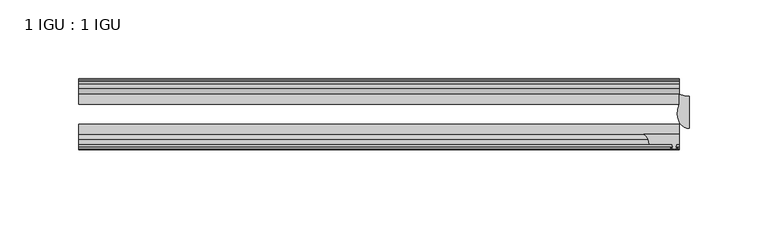
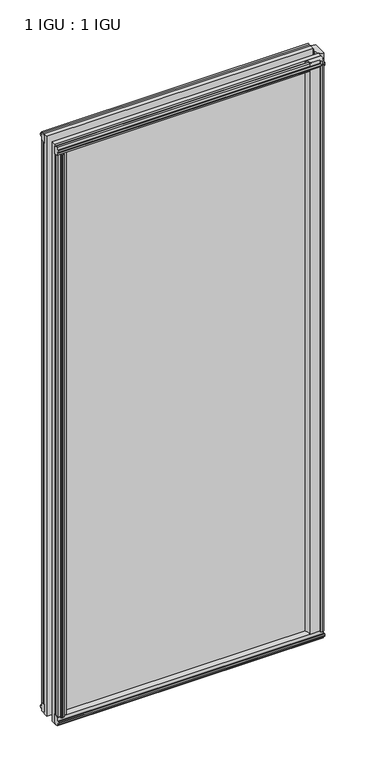
"""IFC4 building model written with IfcOpenShell, lengths in millimetres: plate geometry, 1 IGU : 1 IGU."""

from ifc_helpers import new_model, si_unit, point, frame, frame_2d, origin, origin_with_axes, place, context, project, spatial, polyline, circle_curve, ellipse_curve, trimmed, segment, composite_curve, outline, extrude, source, transform, mapped, element, save
from ifc_brep_helpers import plane_surface, cylinder_surface, revolved_surface, extruded_surface, advanced_brep


def plate_1_igu_1_igu_93779add(model_context):
    return source(origin(), model_context, "Body", "SolidModel", [
        extrude(outline(composite_curve([segment(polyline([(171.0983314, -44.9460938), (193.6369, -44.9460938), (193.6369, -51.2960937), (191.7319, -51.2960937), (191.4144, -53.4006957), (192.6203059, -53.0775742), (192.6203059, -53.8927506), (190.4619, -54.4710938), (188.3034941, -53.8927506), (188.3034941, -53.0775742), (189.5094, -53.4006957), (189.1919, -51.2960938), (174.5869, -51.2960938)]), True, "CONTINUOUS"), segment(trimmed(circle_curve(frame_2d((167.1484021, -51.2493858)), 7.4386445), [point((174.5869, -51.2960938))], [point((171.0983314, -44.9460938))], True, "CARTESIAN"), True, "CONTINUOUS")], self_intersect=False)), origin_with_axes(), (0.0, 0.0, 1.0), 863.5872998),
        extrude(outline(polyline([(-173.0011137, -19.5460937), (-184.8315077, -19.5460937), (-187.0445852, -16.1419073), (-187.0445852, -13.1960937), (-182.5995852, -13.1960937), (-182.2185852, -10.8158968), (-183.6341143, -11.27583), (-183.6341143, -10.4746158), (-181.4565852, -9.7670937), (-179.2790562, -10.4746158), (-179.2790562, -11.27583), (-180.6945852, -10.8158968), (-180.3135852, -13.1960937), (-175.1063908, -13.1960937), (-173.0011137, -19.5460937)])), origin_with_axes(), (0.0, 0.0, 1.0), 850.9),
        extrude(outline(polyline([(-16.1419073, -12.4576852), (-19.5460937, -10.2446077), (-19.5460937, 1.5857863), (-13.1960937, -0.5194908), (-13.1960937, -5.7266852), (-10.8158968, -6.1076852), (-11.27583, -4.6921562), (-10.4746158, -4.6921562), (-9.7670937, -6.8696852), (-10.4746158, -9.0472143), (-11.27583, -9.0472143), (-10.8158968, -7.6316852), (-13.1960937, -8.0126852), (-13.1960937, -12.4576852), (-16.1419073, -12.4576852)])), frame((-187.2869, 0.0, 0.0), z_axis=(1.0, 0.0, 0.0), x_axis=(0.0, 1.0, 0.0)), (0.0, 0.0, 1.0), 380.9238),
        extrude(outline(polyline([(-48.3502802, -11.938), (-51.2960937, -11.938), (-51.2960937, -7.493), (-53.6762907, -7.112), (-53.2163575, -8.5275291), (-54.0175717, -8.5275291), (-54.7250937, -6.35), (-54.0175717, -4.172471), (-53.2163575, -4.172471), (-53.6762907, -5.588), (-51.2960937, -5.207), (-51.2960937, 0.0001944), (-44.9460937, 2.1054715), (-44.9460937, -9.7249225), (-48.3502802, -11.938)])), frame((-187.2869, 0.0, 0.0), z_axis=(1.0, 0.0, 0.0), x_axis=(0.0, 1.0, 0.0)), (0.0, 0.0, 1.0), 380.9238),
        extrude(outline(polyline([(-16.1028367, 863.3576852), (-13.1960937, 863.3576852), (-13.1960937, 858.9126852), (-10.8158968, 858.5316852), (-11.27583, 859.9472143), (-10.4746158, 859.9472143), (-9.7670937, 857.7696852), (-10.4746158, 855.5921562), (-11.27583, 855.5921562), (-10.8158968, 857.0076852), (-13.1960937, 856.6266852), (-13.1960937, 851.3940908), (-19.5460937, 849.2888137), (-19.5460937, 861.1192077), (-16.1028367, 863.3576852)])), frame((-187.2869, 0.0, 0.0), z_axis=(1.0, 0.0, 0.0), x_axis=(0.0, 1.0, 0.0)), (0.0, 0.0, 1.0), 380.9238),
        extrude(outline(polyline([(-48.3893508, 862.8126), (-44.9460937, 860.5741225), (-44.9460937, 848.7437285), (-51.2960937, 850.8490056), (-51.2960937, 856.0816), (-53.6762907, 856.4626), (-53.2163575, 855.047071), (-54.0175717, 855.047071), (-54.7250938, 857.2246), (-54.0175717, 859.4021291), (-53.2163575, 859.4021291), (-53.6762907, 857.9866), (-51.2960937, 858.3676), (-51.2960937, 862.8126), (-48.3893508, 862.8126)])), frame((-187.2869, 0.0, 0.0), z_axis=(1.0, 0.0, 0.0), x_axis=(0.0, 1.0, 0.0)), (0.0, 0.0, 1.0), 380.9238),
        advanced_brep(
        [(199.9869, -41.2564987, 863.5872998), (199.9869, -20.7775816, 863.5872998), (193.6369, -19.5460938, 863.5872998), (193.6369, -25.8452938, 863.5872998), (192.4645628, -32.2460938, 863.5872998), (199.9869, -41.2564987, 0.0), (192.4645628, -32.2460938, 0.0), (193.6369, -25.8452938, 0.0), (193.6369, -19.5460938, 0.0), (199.9869, -20.7775816, 0.0)],
        [
            (0, 1),
            (1, 2, circle_curve(frame((199.9869, -3.7903806, 863.5872998), z_axis=(0.0, 0.0, -1.0), x_axis=(0.0, 1.0, 0.0)), 16.987201)),
            (2, 3),
            (3, 4, circle_curve(frame((210.5244763, -32.2460938, 863.5872998), z_axis=(0.0, 0.0, 1.0), x_axis=(0.0, 1.0, 0.0)), 18.0599135)),
            (4, 0, ellipse_curve(frame((199.9869, -32.2460938, 863.5872998), z_axis=(0.0, 0.0, 1.0), x_axis=(0.0, 1.0, 0.0)), 9.010405, 7.5223372)),
            (5, 6, ellipse_curve(frame((199.9869, -32.2460938, 0.0), z_axis=(0.0, 0.0, -1.0), x_axis=(0.0, 1.0, 0.0)), 9.010405, 7.5223372)),
            (6, 7, circle_curve(frame((210.5244763, -32.2460938, 0.0), z_axis=(0.0, 0.0, -1.0), x_axis=(0.0, 1.0, 0.0)), 18.0599135)),
            (7, 8),
            (8, 9, circle_curve(frame((199.9869, -3.7903806, 0.0), z_axis=(0.0, 0.0, 1.0), x_axis=(0.0, 1.0, 0.0)), 16.987201)),
            (9, 5),
            (0, 5),
            (9, 1),
            (4, 6),
            (8, 2),
            (7, 3),
        ],
        [
            plane_surface(frame((174.5869, -13.1960938, 863.5872998), z_axis=(0.0, 0.0, 1.0), x_axis=(0.0, 1.0, 0.0))),
            plane_surface(frame((174.5869, -13.1960938, 0.0), z_axis=(0.0, 0.0, -1.0), x_axis=(0.0, 1.0, 0.0))),
            plane_surface(frame((199.9869, -41.2564987, 863.5872998), z_axis=(1.0, 0.0, 0.0), x_axis=(0.0, 0.0, -1.0))),
            extruded_surface(trimmed(ellipse_curve(frame((199.9869, -32.2460938, 0.0), z_axis=(0.0, 0.0, 1.0), x_axis=(0.0, 1.0, 0.0)), 9.010405, 7.5223372), [point((192.4645628, -32.2460938, 0.0))], [point((199.9869, -41.2564987, 0.0))], True, "CARTESIAN"), (0.0, 0.0, 863.5872998), 863.5872998),
            revolved_surface(polyline([(199.9869, 13.196820399999998, 0.0), (199.9869, 13.196820399999998, 863.5872998)]), (199.9869, -3.7903806, 863.5872998), (0.0, 0.0, -1.0)),
            plane_surface(frame((193.6369, -19.5460938, 863.5872998), z_axis=(-1.0, 0.0, 0.0), x_axis=(0.0, 0.0, -1.0))),
            cylinder_surface(frame((210.5244763, -32.2460938, 863.5872998), z_axis=(0.0, 0.0, 1.0), x_axis=(0.0, 1.0, 0.0)), 18.0599135),
        ],
        [
            (0, [[1, 2, 3, 4, 5]]),
            (1, [[6, 7, 8, 9, 10]]),
            (2, [[-1, 11, -10, 12]]),
            (3, [[-5, 13, -6, -11]]),
            (4, [[-2, -12, -9, 14]]),
            (5, [[-3, -14, -8, 15]]),
            (6, [[-4, -15, -7, -13]]),
        ],
    ),
        extrude(outline(polyline([(-172.4814285, -44.9460938), (-174.5867056, -51.2960938), (-179.7939, -51.2960938), (-180.1749, -53.6762907), (-178.759371, -53.2163575), (-178.759371, -54.0175717), (-180.9369, -54.7250938), (-183.1144291, -54.0175717), (-183.1144291, -53.2163575), (-181.6989, -53.6762907), (-182.0799, -51.2960938), (-186.5249, -51.2960938), (-186.5249, -48.3502802), (-184.3118225, -44.9460938), (-172.4814285, -44.9460938)])), origin_with_axes(), (0.0, 0.0, 1.0), 850.9),
        extrude(outline(polyline([(193.6369, -19.5460937), (193.6369, -25.8337453), (-187.2869, -25.8337453), (-187.2869, -19.5460937), (193.6369, -19.5460937)])), frame((0.0, 0.0, -12.7), z_axis=(0.0, 0.0, 1.0), x_axis=(1.0, 0.0, 0.0)), (0.0, 0.0, 1.0), 876.2872998),
        extrude(outline(polyline([(-187.2869, -44.9460937), (-187.2869, -38.6468938), (193.6369, -38.6468938), (193.6369, -44.9460937), (-187.2869, -44.9460937)])), frame((0.0, 0.0, -12.7), z_axis=(0.0, 0.0, 1.0), x_axis=(1.0, 0.0, 0.0)), (0.0, 0.0, 1.0), 876.2872998),
    ])


if __name__ == "__main__":
    model = new_model("IFC4")
    model_context = context("Model", 3, world=origin())
    ifc_project = project(units=[si_unit("LENGTHUNIT", "METRE", prefix="MILLI")], contexts=[model_context])
    site = spatial("IfcSite", under=ifc_project)
    building = spatial("IfcBuilding", under=site)
    placement = place(None, origin())
    plate_1_igu_1_igu_shape = plate_1_igu_1_igu_93779add(model_context)
    element("IfcPlate", 1, ObjectType="1 IGU : 1 IGU", at=placement, inside=building, context=model_context, shape_type="MappedRepresentation", body=[
        mapped(plate_1_igu_1_igu_shape, transform((0.0, 0.0, 0.0), x_axis=(1.0, 0.0, 0.0), y_axis=(0.0, 1.0, 0.0), z_axis=(0.0, 0.0, 1.0))),
    ])
    save(model, "model.ifc")
